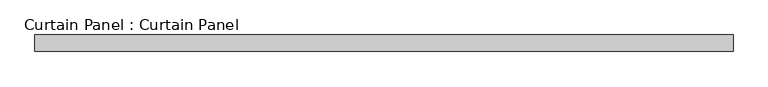
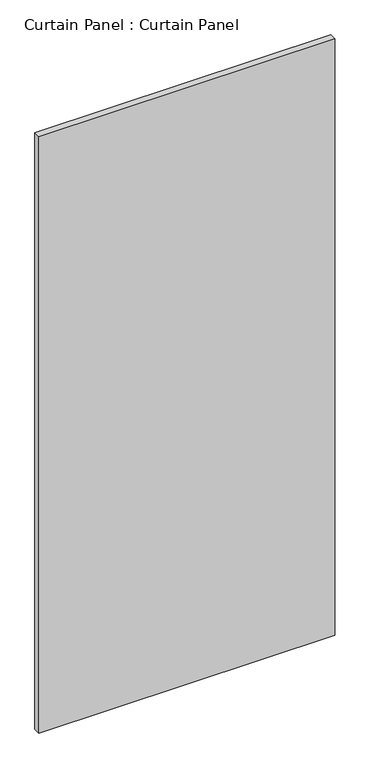
"""IFC4 building model written with IfcOpenShell, lengths in millimetres: plate geometry, Curtain Panel : Curtain Panel."""

from ifc_helpers import new_model, si_unit, frame, origin, place, context, project, spatial, polyline, outline, extrude, source, transform, mapped, element, save


def curtain_panel_curtain_panel_8e62771a(model_context):
    return source(origin(), model_context, "Body", "SweptSolid", [
        extrude(outline(polyline([(-255759.3399652, -413.9917886), (-256832.4899571, -413.9917886), (-256832.4899571, -388.5917886), (-255759.3399652, -388.5917886), (-255759.3399652, -413.9917886)])), frame((0.0, 0.0, -3589.3375036), z_axis=(0.0, 0.0, 1.0), x_axis=(1.0, 0.0, 0.0)), (0.0, 0.0, 1.0), 2288.0828642),
    ])


if __name__ == "__main__":
    model = new_model("IFC4")
    model_context = context("Model", 3, world=origin())
    ifc_project = project(units=[si_unit("LENGTHUNIT", "METRE", prefix="MILLI")], contexts=[model_context])
    site = spatial("IfcSite", under=ifc_project)
    building = spatial("IfcBuilding", under=site)
    placement = place(None, origin())
    curtain_panel_curtain_panel_shape = curtain_panel_curtain_panel_8e62771a(model_context)
    element("IfcPlate", 1, ObjectType="Curtain Panel : Curtain Panel", at=placement, inside=building, context=model_context, shape_type="MappedRepresentation", body=[
        mapped(curtain_panel_curtain_panel_shape, transform((0.0, 0.0, 0.0), x_axis=(1.0, 0.0, 0.0), y_axis=(0.0, 1.0, 0.0), z_axis=(0.0, 0.0, 1.0))),
    ])
    save(model, "model.ifc")
